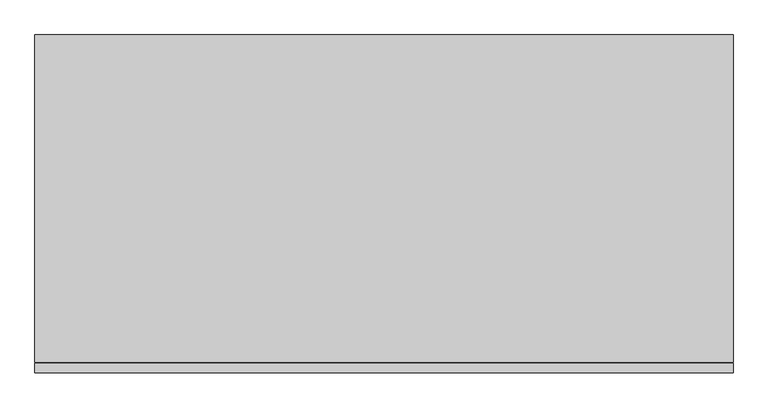
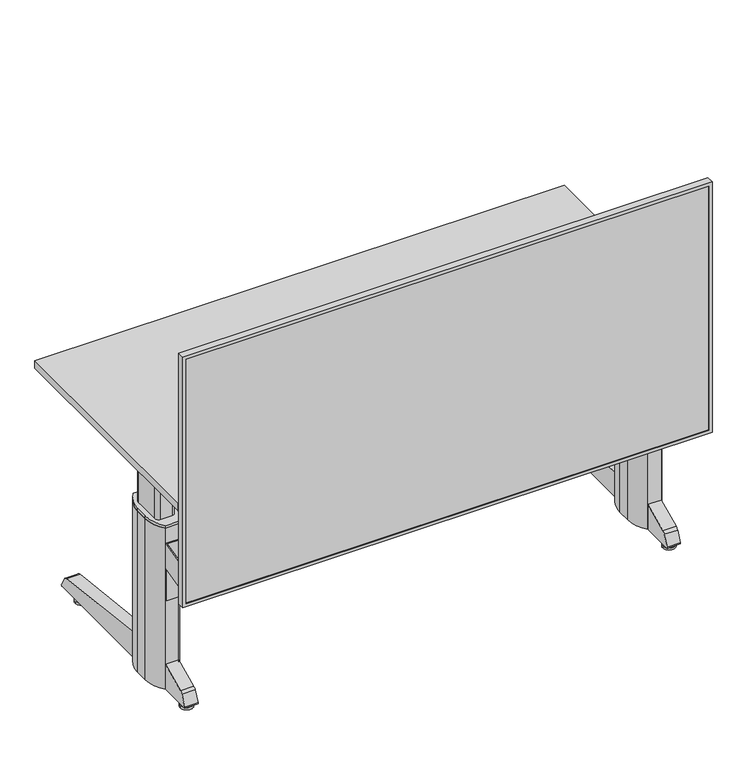
"""IFC4 building model written with IfcOpenShell, lengths in millimetres: furniture geometry."""

from ifc_helpers import new_model, si_unit, point, frame, frame_2d, origin, origin_with_axes, place, context, project, spatial, polyline, circle_curve, trimmed, segment, composite_curve, outline, extrude, source, transform, mapped, element, save


def furniture_7fbf63f7(model_context):
    return source(origin(), model_context, "Body", "SweptSolid", [
        extrude(outline(polyline([(-10.0, -5.0), (-10.0, -21.0), (-1590.0, -21.0), (-1590.0, -5.0), (-10.0, -5.0)])), frame((0.0, 0.0, 410.0), z_axis=(0.0, 0.0, 1.0), x_axis=(1.0, 0.0, 0.0)), (0.0, 0.0, 1.0), 780.0),
        extrude(outline(polyline([(1200.0, 0.0), (1200.0, -1600.0), (400.0, -1600.0), (400.0, 0.0), (1200.0, 0.0)]), holes=[polyline([(1190.0, -10.0), (410.0, -10.0), (410.0, -1590.0), (1190.0, -1590.0), (1190.0, -10.0)])]), frame((0.0, -24.0, 0.0), z_axis=(0.0, 1.0, 0.0), x_axis=(0.0, 0.0, 1.0)), (0.0, 0.0, 1.0), 22.0),
        extrude(outline(composite_curve([segment(trimmed(circle_curve(frame_2d((-1529.0, 78.9)), 11.0229601), [point((-1517.9770399, 78.9))], [point((-1540.0229601, 78.9))], False, "CARTESIAN"), True, "CONTINUOUS"), segment(trimmed(circle_curve(frame_2d((-1529.0, 78.9)), 11.0229601), [point((-1540.0229601, 78.9))], [point((-1517.9770399, 78.9))], False, "CARTESIAN"), True, "CONTINUOUS")], self_intersect=False)), frame((0.0, 0.0, 7.0), z_axis=(0.0, 0.0, 1.0), x_axis=(1.0, 0.0, 0.0)), (0.0, 0.0, 1.0), 7.0),
        extrude(outline(composite_curve([segment(trimmed(circle_curve(frame_2d((-1529.0, 301.9)), 11.0144841), [point((-1517.9855159, 301.9))], [point((-1540.0144841, 301.9))], False, "CARTESIAN"), True, "CONTINUOUS"), segment(trimmed(circle_curve(frame_2d((-1529.0, 301.9)), 11.0144841), [point((-1540.0144841, 301.9))], [point((-1517.9855159, 301.9))], False, "CARTESIAN"), True, "CONTINUOUS")], self_intersect=False)), frame((0.0, 0.0, 7.0), z_axis=(0.0, 0.0, 1.0), x_axis=(1.0, 0.0, 0.0)), (0.0, 0.0, 1.0), 7.0),
        extrude(outline(composite_curve([segment(trimmed(circle_curve(frame_2d((-1529.0, 629.9)), 10.9720109), [point((-1518.0279891, 629.9))], [point((-1539.9720109, 629.9))], False, "CARTESIAN"), True, "CONTINUOUS"), segment(trimmed(circle_curve(frame_2d((-1529.0, 629.9)), 10.9720109), [point((-1539.9720109, 629.9))], [point((-1518.0279891, 629.9))], False, "CARTESIAN"), True, "CONTINUOUS")], self_intersect=False)), frame((0.0, 0.0, 7.0), z_axis=(0.0, 0.0, 1.0), x_axis=(1.0, 0.0, 0.0)), (0.0, 0.0, 1.0), 7.0),
        extrude(outline(composite_curve([segment(trimmed(circle_curve(frame_2d((-71.0, 629.9)), 11.0208329), [point((-59.9791671, 629.9))], [point((-82.0208329, 629.9))], False, "CARTESIAN"), True, "CONTINUOUS"), segment(trimmed(circle_curve(frame_2d((-71.0, 629.9)), 11.0208329), [point((-82.0208329, 629.9))], [point((-59.9791671, 629.9))], False, "CARTESIAN"), True, "CONTINUOUS")], self_intersect=False)), frame((0.0, 0.0, 7.0), z_axis=(0.0, 0.0, 1.0), x_axis=(1.0, 0.0, 0.0)), (0.0, 0.0, 1.0), 7.0),
        extrude(outline(composite_curve([segment(trimmed(circle_curve(frame_2d((-71.0, 301.9)), 11.0238301), [point((-59.9761699, 301.9))], [point((-82.0238301, 301.9))], False, "CARTESIAN"), True, "CONTINUOUS"), segment(trimmed(circle_curve(frame_2d((-71.0, 301.9)), 11.0238301), [point((-82.0238301, 301.9))], [point((-59.9761699, 301.9))], False, "CARTESIAN"), True, "CONTINUOUS")], self_intersect=False)), frame((0.0, 0.0, 7.0), z_axis=(0.0, 0.0, 1.0), x_axis=(1.0, 0.0, 0.0)), (0.0, 0.0, 1.0), 7.0),
        extrude(outline(composite_curve([segment(trimmed(circle_curve(frame_2d((-71.0, 78.9)), 10.9788293), [point((-60.0211707, 78.9))], [point((-81.9788293, 78.9))], False, "CARTESIAN"), True, "CONTINUOUS"), segment(trimmed(circle_curve(frame_2d((-71.0, 78.9)), 10.9788293), [point((-81.9788293, 78.9))], [point((-60.0211707, 78.9))], False, "CARTESIAN"), True, "CONTINUOUS")], self_intersect=False)), frame((0.0, 0.0, 7.0), z_axis=(0.0, 0.0, 1.0), x_axis=(1.0, 0.0, 0.0)), (0.0, 0.0, 1.0), 7.0),
        extrude(outline(composite_curve([segment(trimmed(circle_curve(frame_2d((-1529.0, 78.9)), 19.0471153), [point((-1548.0471153, 78.9))], [point((-1509.9528847, 78.9))], False, "CARTESIAN"), True, "CONTINUOUS"), segment(trimmed(circle_curve(frame_2d((-1529.0, 78.9)), 19.0471153), [point((-1509.9528847, 78.9))], [point((-1548.0471153, 78.9))], False, "CARTESIAN"), True, "CONTINUOUS")], self_intersect=False)), origin_with_axes(), (0.0, 0.0, 1.0), 7.0),
        extrude(outline(composite_curve([segment(trimmed(circle_curve(frame_2d((-1529.0, 301.9)), 18.9574752), [point((-1547.9574752, 301.9))], [point((-1510.0425248, 301.9))], False, "CARTESIAN"), True, "CONTINUOUS"), segment(trimmed(circle_curve(frame_2d((-1529.0, 301.9)), 18.9574752), [point((-1510.0425248, 301.9))], [point((-1547.9574752, 301.9))], False, "CARTESIAN"), True, "CONTINUOUS")], self_intersect=False)), origin_with_axes(), (0.0, 0.0, 1.0), 7.0),
        extrude(outline(composite_curve([segment(trimmed(circle_curve(frame_2d((-1529.0, 629.9)), 18.9885589), [point((-1547.9885589, 629.9))], [point((-1510.0114411, 629.9))], False, "CARTESIAN"), True, "CONTINUOUS"), segment(trimmed(circle_curve(frame_2d((-1529.0, 629.9)), 18.9885589), [point((-1510.0114411, 629.9))], [point((-1547.9885589, 629.9))], False, "CARTESIAN"), True, "CONTINUOUS")], self_intersect=False)), origin_with_axes(), (0.0, 0.0, 1.0), 7.0),
        extrude(outline(composite_curve([segment(trimmed(circle_curve(frame_2d((-71.0, 629.9)), 19.0292651), [point((-90.0292651, 629.9))], [point((-51.9707349, 629.9))], False, "CARTESIAN"), True, "CONTINUOUS"), segment(trimmed(circle_curve(frame_2d((-71.0, 629.9)), 19.0292651), [point((-51.9707349, 629.9))], [point((-90.0292651, 629.9))], False, "CARTESIAN"), True, "CONTINUOUS")], self_intersect=False)), origin_with_axes(), (0.0, 0.0, 1.0), 7.0),
        extrude(outline(composite_curve([segment(trimmed(circle_curve(frame_2d((-71.0, 301.9)), 19.0344102), [point((-90.0344102, 301.9))], [point((-51.9655898, 301.9))], False, "CARTESIAN"), True, "CONTINUOUS"), segment(trimmed(circle_curve(frame_2d((-71.0, 301.9)), 19.0344102), [point((-51.9655898, 301.9))], [point((-90.0344102, 301.9))], False, "CARTESIAN"), True, "CONTINUOUS")], self_intersect=False)), origin_with_axes(), (0.0, 0.0, 1.0), 7.0),
        extrude(outline(composite_curve([segment(trimmed(circle_curve(frame_2d((-71.0, 78.9)), 18.9879901), [point((-89.9879901, 78.9))], [point((-52.0120099, 78.9))], False, "CARTESIAN"), True, "CONTINUOUS"), segment(trimmed(circle_curve(frame_2d((-71.0, 78.9)), 18.9879901), [point((-52.0120099, 78.9))], [point((-89.9879901, 78.9))], False, "CARTESIAN"), True, "CONTINUOUS")], self_intersect=False)), origin_with_axes(), (0.0, 0.0, 1.0), 7.0),
        extrude(outline(polyline([(-1549.0, 153.9), (-1509.0, 153.9), (-1509.0, 150.9), (-1546.0683173, 150.9), (-1566.1768888, -2.0), (-1598.0, -2.0), (-1598.0, 1.0), (-1568.9391749, 1.0), (-1549.0, 153.9)])), frame((0.0, 0.0, 400.0), z_axis=(0.0, 0.0, 1.0), x_axis=(1.0, 0.0, 0.0)), (0.0, 0.0, 1.0), 80.0),
        extrude(outline(polyline([(-51.0, 153.9), (-31.0, 1.0), (-2.0, 1.0), (-2.0, -2.0), (-34.0, -2.0), (-54.0, 150.9), (-91.0, 150.9), (-91.0, 153.9), (-51.0, 153.9)])), frame((0.0, 0.0, 400.0), z_axis=(0.0, 0.0, 1.0), x_axis=(1.0, 0.0, 0.0)), (0.0, 0.0, 1.0), 80.0),
        extrude(outline(polyline([(-51.0, 147.9), (-1549.0, 147.9), (-1549.0, 153.9), (-51.0, 153.9), (-51.0, 147.9)])), frame((0.0, 0.0, 300.0), z_axis=(0.0, 0.0, 1.0), x_axis=(1.0, 0.0, 0.0)), (0.0, 0.0, 1.0), 100.0),
        extrude(outline(polyline([(-120.0, 132.0), (-1480.0, 132.0), (-1480.0, 170.0), (-120.0, 170.0), (-120.0, 132.0)])), frame((0.0, 0.0, 651.0), z_axis=(0.0, 0.0, 1.0), x_axis=(1.0, 0.0, 0.0)), (0.0, 0.0, 1.0), 44.0),
        extrude(outline(polyline([(-120.0, 438.0), (-120.0, 400.0), (-1480.0, 400.0), (-1480.0, 438.0), (-120.0, 438.0)])), frame((0.0, 0.0, 651.0), z_axis=(0.0, 0.0, 1.0), x_axis=(1.0, 0.0, 0.0)), (0.0, 0.0, 1.0), 44.0),
        extrude(outline(composite_curve([segment(polyline([(323.9, 14.0), (323.9, 94.0), (671.6979738, 53.5184304)]), True, "CONTINUOUS"), segment(trimmed(circle_curve(frame_2d((669.9637725, 38.6190161)), 15.0), [point((671.6979738, 53.5184304))], [point((682.9541536, 46.1190161))], False, "CARTESIAN"), True, "CONTINUOUS"), segment(polyline([(682.9541536, 46.1190161), (698.9, 18.5)]), True, "CONTINUOUS"), segment(trimmed(circle_curve(frame_2d((696.3019238, 17.0)), 3.0), [point((698.9, 18.5))], [point((696.3019238, 14.0))], False, "CARTESIAN"), True, "CONTINUOUS"), segment(polyline([(696.3019238, 14.0), (323.9, 14.0)]), True, "CONTINUOUS")], self_intersect=False)), frame((-1549.0, 0.0, 0.0), z_axis=(1.0, 0.0, 0.0), x_axis=(0.0, 1.0, 0.0)), (0.0, 0.0, 1.0), 40.0),
        extrude(outline(composite_curve([segment(trimmed(circle_curve(frame_2d((56.1189234, 17.0)), 3.0), [point((56.1189234, 14.0))], [point((53.4, 18.2678548))], False, "CARTESIAN"), True, "CONTINUOUS"), segment(polyline([(53.4, 18.2678548), (68.2945988, 50.2094249)]), True, "CONTINUOUS"), segment(trimmed(circle_curve(frame_2d((81.8892156, 43.870151)), 15.0), [point((68.2945988, 50.2094249))], [point((75.5499416, 57.4647678))], False, "CARTESIAN"), True, "CONTINUOUS"), segment(polyline([(75.5499416, 57.4647678), (153.9, 94.0), (153.9, 14.0), (56.1189234, 14.0)]), True, "CONTINUOUS")], self_intersect=False)), frame((-1549.0, 0.0, 0.0), z_axis=(1.0, 0.0, 0.0), x_axis=(0.0, 1.0, 0.0)), (0.0, 0.0, 1.0), 40.0),
        extrude(outline(composite_curve([segment(polyline([(323.9, 94.0), (671.6979738, 53.5184304)]), True, "CONTINUOUS"), segment(trimmed(circle_curve(frame_2d((669.9637725, 38.6190161)), 15.0), [point((671.6979738, 53.5184304))], [point((682.9541536, 46.1190161))], False, "CARTESIAN"), True, "CONTINUOUS"), segment(polyline([(682.9541536, 46.1190161), (698.9, 18.5)]), True, "CONTINUOUS"), segment(trimmed(circle_curve(frame_2d((696.3019238, 17.0)), 3.0), [point((698.9, 18.5))], [point((696.3019238, 14.0))], False, "CARTESIAN"), True, "CONTINUOUS"), segment(polyline([(696.3019238, 14.0), (323.9, 14.0), (323.9, 94.0)]), True, "CONTINUOUS")], self_intersect=False)), frame((-91.0, 0.0, 0.0), z_axis=(1.0, 0.0, 0.0), x_axis=(0.0, 1.0, 0.0)), (0.0, 0.0, 1.0), 40.0),
        extrude(outline(composite_curve([segment(polyline([(153.9, 94.0), (153.9, 14.0), (56.1189234, 14.0)]), True, "CONTINUOUS"), segment(trimmed(circle_curve(frame_2d((56.1189234, 17.0)), 3.0), [point((56.1189234, 14.0))], [point((53.4, 18.2678548))], False, "CARTESIAN"), True, "CONTINUOUS"), segment(polyline([(53.4, 18.2678548), (68.2945988, 50.2094249)]), True, "CONTINUOUS"), segment(trimmed(circle_curve(frame_2d((81.8892156, 43.870151)), 15.0), [point((68.2945988, 50.2094249))], [point((75.5499416, 57.4647678))], False, "CARTESIAN"), True, "CONTINUOUS"), segment(polyline([(75.5499416, 57.4647678), (153.9, 94.0)]), True, "CONTINUOUS")], self_intersect=False)), frame((-91.0, 0.0, 0.0), z_axis=(1.0, 0.0, 0.0), x_axis=(0.0, 1.0, 0.0)), (0.0, 0.0, 1.0), 40.0),
        extrude(outline(composite_curve([segment(polyline([(-1509.0, 153.9), (-1549.0, 153.9)]), True, "CONTINUOUS"), segment(trimmed(circle_curve(frame_2d((-1472.9791667, 218.9)), 100.0208333), [point((-1549.0, 153.9))], [point((-1573.0, 218.9))], False, "CARTESIAN"), True, "CONTINUOUS"), segment(polyline([(-1573.0, 218.9), (-1573.0, 258.9)]), True, "CONTINUOUS"), segment(trimmed(circle_curve(frame_2d((-1472.9791667, 258.9)), 100.0208333), [point((-1573.0, 258.9))], [point((-1549.0, 323.9))], False, "CARTESIAN"), True, "CONTINUOUS"), segment(polyline([(-1549.0, 323.9), (-1509.0, 323.9)]), True, "CONTINUOUS"), segment(trimmed(circle_curve(frame_2d((-1585.0208333, 258.9)), 100.0208333), [point((-1509.0, 323.9))], [point((-1485.0, 258.9))], False, "CARTESIAN"), True, "CONTINUOUS"), segment(polyline([(-1485.0, 258.9), (-1485.0, 218.9)]), True, "CONTINUOUS"), segment(trimmed(circle_curve(frame_2d((-1585.0208333, 218.9)), 100.0208333), [point((-1485.0, 218.9))], [point((-1509.0, 153.9))], False, "CARTESIAN"), True, "CONTINUOUS")], self_intersect=False)), frame((0.0, 0.0, 14.0), z_axis=(0.0, 0.0, 1.0), x_axis=(1.0, 0.0, 0.0)), (0.0, 0.0, 1.0), 514.0),
        extrude(outline(composite_curve([segment(polyline([(-51.0, 153.9), (-91.0, 153.9)]), True, "CONTINUOUS"), segment(trimmed(circle_curve(frame_2d((-14.9791667, 218.9)), 100.0208333), [point((-91.0, 153.9))], [point((-115.0, 218.9))], False, "CARTESIAN"), True, "CONTINUOUS"), segment(polyline([(-115.0, 218.9), (-115.0, 258.9)]), True, "CONTINUOUS"), segment(trimmed(circle_curve(frame_2d((-14.9791667, 258.9)), 100.0208333), [point((-115.0, 258.9))], [point((-91.0, 323.9))], False, "CARTESIAN"), True, "CONTINUOUS"), segment(polyline([(-91.0, 323.9), (-51.0, 323.9)]), True, "CONTINUOUS"), segment(trimmed(circle_curve(frame_2d((-127.0208333, 258.9)), 100.0208333), [point((-51.0, 323.9))], [point((-27.0, 258.9))], False, "CARTESIAN"), True, "CONTINUOUS"), segment(polyline([(-27.0, 258.9), (-27.0, 218.9)]), True, "CONTINUOUS"), segment(trimmed(circle_curve(frame_2d((-127.0208333, 218.9)), 100.0208333), [point((-27.0, 218.9))], [point((-51.0, 153.9))], False, "CARTESIAN"), True, "CONTINUOUS")], self_intersect=False)), frame((0.0, 0.0, 14.0), z_axis=(0.0, 0.0, 1.0), x_axis=(1.0, 0.0, 0.0)), (0.0, 0.0, 1.0), 514.0),
        extrude(outline(composite_curve([segment(polyline([(-1509.0, 153.9), (-1549.0, 153.9)]), True, "CONTINUOUS"), segment(trimmed(circle_curve(frame_2d((-1472.9791667, 218.9)), 100.0208333), [point((-1549.0, 153.9))], [point((-1573.0, 218.9))], False, "CARTESIAN"), True, "CONTINUOUS"), segment(polyline([(-1573.0, 218.9), (-1573.0, 258.9)]), True, "CONTINUOUS"), segment(trimmed(circle_curve(frame_2d((-1472.9791667, 258.9)), 100.0208333), [point((-1573.0, 258.9))], [point((-1549.0, 323.9))], False, "CARTESIAN"), True, "CONTINUOUS"), segment(polyline([(-1549.0, 323.9), (-1509.0, 323.9)]), True, "CONTINUOUS"), segment(trimmed(circle_curve(frame_2d((-1585.0208333, 258.9)), 100.0208333), [point((-1509.0, 323.9))], [point((-1485.0, 258.9))], False, "CARTESIAN"), True, "CONTINUOUS"), segment(polyline([(-1485.0, 258.9), (-1485.0, 218.9)]), True, "CONTINUOUS"), segment(trimmed(circle_curve(frame_2d((-1585.0208333, 218.9)), 100.0208333), [point((-1485.0, 218.9))], [point((-1509.0, 153.9))], False, "CARTESIAN"), True, "CONTINUOUS")], self_intersect=False)), frame((0.0, 0.0, 528.0), z_axis=(0.0, 0.0, 1.0), x_axis=(1.0, 0.0, 0.0)), (0.0, 0.0, 1.0), 8.5),
        extrude(outline(composite_curve([segment(polyline([(-51.0, 153.9), (-91.0, 153.9)]), True, "CONTINUOUS"), segment(trimmed(circle_curve(frame_2d((-14.9791667, 218.9)), 100.0208333), [point((-91.0, 153.9))], [point((-115.0, 218.9))], False, "CARTESIAN"), True, "CONTINUOUS"), segment(polyline([(-115.0, 218.9), (-115.0, 258.9)]), True, "CONTINUOUS"), segment(trimmed(circle_curve(frame_2d((-14.9791667, 258.9)), 100.0208333), [point((-115.0, 258.9))], [point((-91.0, 323.9))], False, "CARTESIAN"), True, "CONTINUOUS"), segment(polyline([(-91.0, 323.9), (-51.0, 323.9)]), True, "CONTINUOUS"), segment(trimmed(circle_curve(frame_2d((-127.0208333, 258.9)), 100.0208333), [point((-51.0, 323.9))], [point((-27.0, 258.9))], False, "CARTESIAN"), True, "CONTINUOUS"), segment(polyline([(-27.0, 258.9), (-27.0, 218.9)]), True, "CONTINUOUS"), segment(trimmed(circle_curve(frame_2d((-127.0208333, 218.9)), 100.0208333), [point((-27.0, 218.9))], [point((-51.0, 153.9))], False, "CARTESIAN"), True, "CONTINUOUS")], self_intersect=False)), frame((0.0, 0.0, 528.0), z_axis=(0.0, 0.0, 1.0), x_axis=(1.0, 0.0, 0.0)), (0.0, 0.0, 1.0), 8.5),
        extrude(outline(composite_curve([segment(polyline([(-1512.0, 184.4), (-1546.0, 184.4)]), True, "CONTINUOUS"), segment(trimmed(circle_curve(frame_2d((-1546.0, 196.4)), 12.0), [point((-1546.0, 184.4))], [point((-1558.0, 196.4))], False, "CARTESIAN"), True, "CONTINUOUS"), segment(polyline([(-1558.0, 196.4), (-1558.0, 281.4)]), True, "CONTINUOUS"), segment(trimmed(circle_curve(frame_2d((-1546.0, 281.4)), 12.0), [point((-1558.0, 281.4))], [point((-1546.0, 293.4))], False, "CARTESIAN"), True, "CONTINUOUS"), segment(polyline([(-1546.0, 293.4), (-1512.0, 293.4)]), True, "CONTINUOUS"), segment(trimmed(circle_curve(frame_2d((-1512.0, 281.4)), 12.0), [point((-1512.0, 293.4))], [point((-1500.0, 281.4))], False, "CARTESIAN"), True, "CONTINUOUS"), segment(polyline([(-1500.0, 281.4), (-1500.0, 196.4)]), True, "CONTINUOUS"), segment(trimmed(circle_curve(frame_2d((-1512.0, 196.4)), 12.0), [point((-1500.0, 196.4))], [point((-1512.0, 184.4))], False, "CARTESIAN"), True, "CONTINUOUS")], self_intersect=False)), frame((0.0, 0.0, 536.5), z_axis=(0.0, 0.0, 1.0), x_axis=(1.0, 0.0, 0.0)), (0.0, 0.0, 1.0), 155.5),
        extrude(outline(composite_curve([segment(polyline([(-54.0, 184.4), (-88.0, 184.4)]), True, "CONTINUOUS"), segment(trimmed(circle_curve(frame_2d((-88.0, 196.4)), 12.0), [point((-88.0, 184.4))], [point((-100.0, 196.4))], False, "CARTESIAN"), True, "CONTINUOUS"), segment(polyline([(-100.0, 196.4), (-100.0, 281.4)]), True, "CONTINUOUS"), segment(trimmed(circle_curve(frame_2d((-88.0, 281.4)), 12.0), [point((-100.0, 281.4))], [point((-88.0, 293.4))], False, "CARTESIAN"), True, "CONTINUOUS"), segment(polyline([(-88.0, 293.4), (-54.0, 293.4)]), True, "CONTINUOUS"), segment(trimmed(circle_curve(frame_2d((-54.0, 281.4)), 12.0), [point((-54.0, 293.4))], [point((-42.0, 281.4))], False, "CARTESIAN"), True, "CONTINUOUS"), segment(polyline([(-42.0, 281.4), (-42.0, 196.4)]), True, "CONTINUOUS"), segment(trimmed(circle_curve(frame_2d((-54.0, 196.4)), 12.0), [point((-42.0, 196.4))], [point((-54.0, 184.4))], False, "CARTESIAN"), True, "CONTINUOUS")], self_intersect=False)), frame((0.0, 0.0, 536.5), z_axis=(0.0, 0.0, 1.0), x_axis=(1.0, 0.0, 0.0)), (0.0, 0.0, 1.0), 155.5),
        extrude(outline(polyline([(695.0, -1578.0), (668.0, -1578.0), (668.0, -1575.0), (692.0, -1575.0), (692.0, -1483.0), (651.0, -1483.0), (651.0, -1480.0), (695.0, -1480.0), (695.0, -1578.0)])), frame((0.0, 109.0, 0.0), z_axis=(0.0, 1.0, 0.0), x_axis=(0.0, 0.0, 1.0)), (0.0, 0.0, 1.0), 466.0),
        extrude(outline(polyline([(695.0, -22.0), (695.0, -120.0), (651.0, -120.0), (651.0, -117.0), (692.0, -117.0), (692.0, -25.0), (668.0, -25.0), (668.0, -22.0), (695.0, -22.0)])), frame((0.0, 109.0, 0.0), z_axis=(0.0, 1.0, 0.0), x_axis=(0.0, 0.0, 1.0)), (0.0, 0.0, 1.0), 466.0),
        extrude(outline(polyline([(0.0, 0.0), (-1600.0, 0.0), (-1600.0, 750.0), (0.0, 750.0), (0.0, 0.0)])), frame((0.0, 0.0, 695.0), z_axis=(0.0, 0.0, 1.0), x_axis=(1.0, 0.0, 0.0)), (0.0, 0.0, 1.0), 25.0),
    ])


if __name__ == "__main__":
    model = new_model("IFC4")
    model_context = context("Model", 3, world=origin())
    ifc_project = project(units=[si_unit("LENGTHUNIT", "METRE", prefix="MILLI")], contexts=[model_context])
    site = spatial("IfcSite", under=ifc_project)
    building = spatial("IfcBuilding", under=site)
    placement = place(None, origin())
    furniture_shape = furniture_7fbf63f7(model_context)
    element("IfcFurniture", 1, at=placement, inside=building, context=model_context, shape_type="MappedRepresentation", body=[
        mapped(furniture_shape, transform((0.0, 0.0, 0.0), x_axis=(1.0, 0.0, 0.0), y_axis=(0.0, 1.0, 0.0), z_axis=(0.0, 0.0, 1.0))),
    ])
    save(model, "model.ifc")
